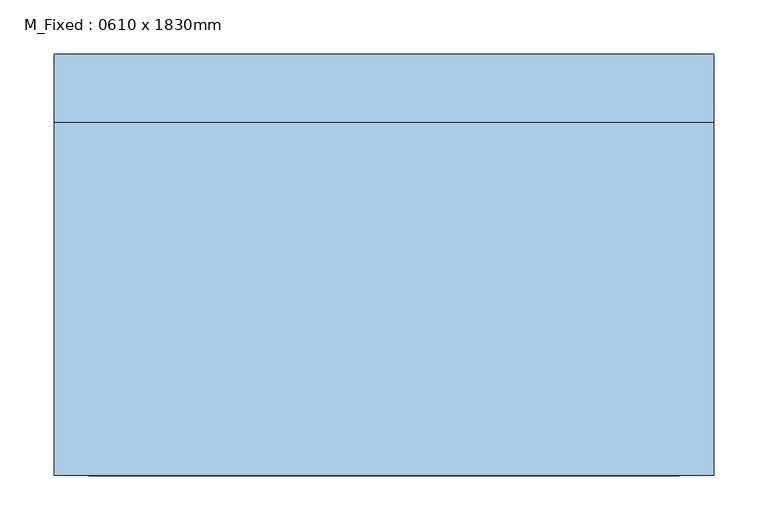
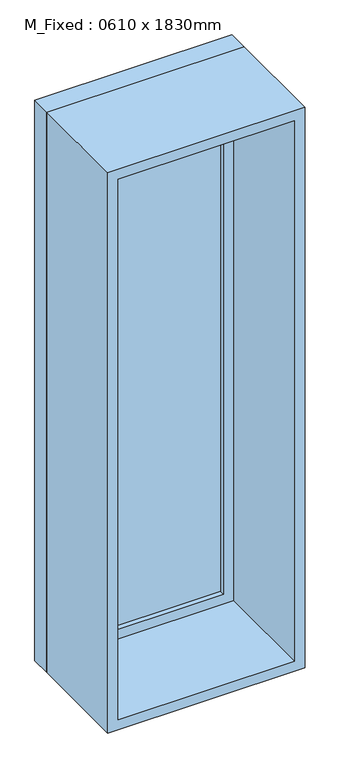
"""IFC4 building model written with IfcOpenShell, lengths in millimetres: window geometry, M_Fixed : 0610 x 1830mm."""

from ifc_helpers import new_model, si_unit, frame, origin, place, context, project, spatial, polyline, outline, extrude, source, transform, mapped, element, save


def m_fixed_0610_x_1830mm_d521ffd1(model_context):
    return source(origin(), model_context, "Body", "SweptSolid", [
        extrude(outline(polyline([(-242.0, 173.0), (242.0, 173.0), (242.0, 161.0), (-242.0, 161.0), (-242.0, 173.0)])), frame((0.0, 0.0, 368.0), z_axis=(0.0, 0.0, 1.0), x_axis=(1.0, 0.0, 0.0)), (0.0, 0.0, 1.0), 1704.0),
        extrude(outline(polyline([(2116.0, -286.0), (324.0, -286.0), (324.0, 286.0), (2116.0, 286.0), (2116.0, -286.0)]), holes=[polyline([(2072.0, -242.0), (2072.0, 242.0), (368.0, 242.0), (368.0, -242.0), (2072.0, -242.0)])]), frame((0.0, 145.0, 0.0), z_axis=(0.0, 1.0, 0.0), x_axis=(0.0, 0.0, 1.0)), (0.0, 0.0, 1.0), 44.0),
        extrude(outline(polyline([(2135.0, -305.0), (305.0, -305.0), (305.0, 305.0), (2135.0, 305.0), (2135.0, -305.0)]), holes=[polyline([(2116.0, -286.0), (2116.0, 286.0), (324.0, 286.0), (324.0, -286.0), (2116.0, -286.0)])]), frame((0.0, 145.0, 0.0), z_axis=(0.0, 1.0, 0.0), x_axis=(0.0, 0.0, 1.0)), (0.0, 0.0, 1.0), 63.0),
        extrude(outline(polyline([(2135.0, -305.0), (305.0, -305.0), (305.0, 305.0), (2135.0, 305.0), (2135.0, -305.0)]), holes=[polyline([(2103.0, -273.0), (2103.0, 273.0), (337.0, 273.0), (337.0, -273.0), (2103.0, -273.0)])]), frame((0.0, -182.0, 0.0), z_axis=(0.0, 1.0, 0.0), x_axis=(0.0, 0.0, 1.0)), (0.0, 0.0, 1.0), 327.0),
    ])


if __name__ == "__main__":
    model = new_model("IFC4")
    model_context = context("Model", 3, world=origin())
    ifc_project = project(units=[si_unit("LENGTHUNIT", "METRE", prefix="MILLI")], contexts=[model_context])
    site = spatial("IfcSite", under=ifc_project)
    building = spatial("IfcBuilding", under=site)
    placement = place(None, origin())
    m_fixed_0610_x_1830mm_shape = m_fixed_0610_x_1830mm_d521ffd1(model_context)
    element("IfcWindow", 1, ObjectType="M_Fixed : 0610 x 1830mm", at=placement, inside=building, context=model_context, shape_type="MappedRepresentation", body=[
        mapped(m_fixed_0610_x_1830mm_shape, transform((0.0, 0.0, 0.0), x_axis=(1.0, 0.0, 0.0), y_axis=(0.0, 1.0, 0.0), z_axis=(0.0, 0.0, 1.0))),
    ])
    save(model, "model.ifc")
